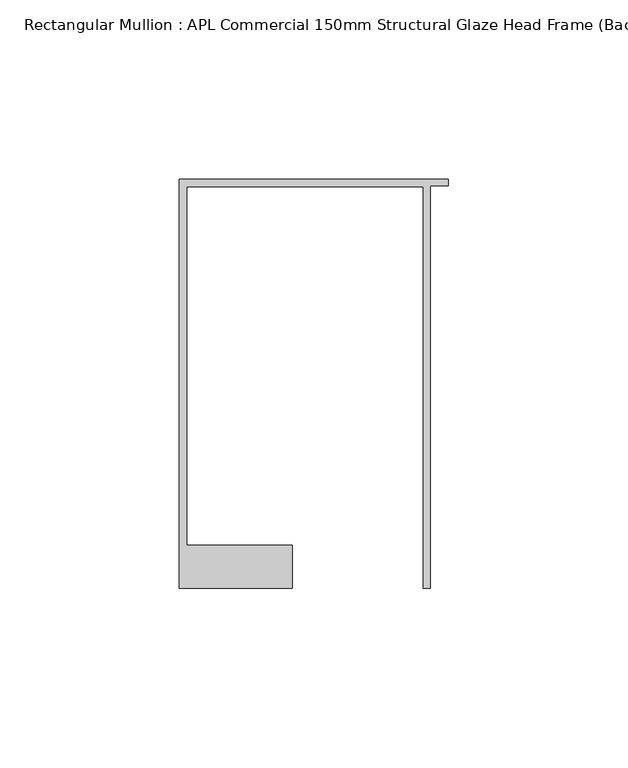
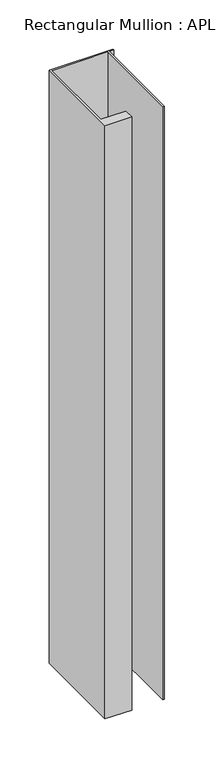
"""IFC4 building model written with IfcOpenShell, lengths in millimetres: member geometry, Rectangular Mullion : APL Commercial 150mm Structural Glaze Head Frame (Back)."""

import ifcopenshell
import ifcopenshell.guid

model = None  # the IFC model being written
_history = None  # IfcOwnerHistory: only IFC2X3 demands one
_inside = {}  # id of a spatial element -> (the spatial element, [elements in it])
_under = {}  # id of a project, library or spatial element -> (it, [spatial elements below it])
_declared = {}  # id of a project -> (the project, [libraries it declares])
_typed = {}  # id of a type object -> (the type object, [elements of that type])
_made_of = {}  # id of a material, layer set ... -> (it, [elements and type objects made of it])


def new_model(schema):
    """Start an empty IFC model of exactly this schema.

    Asked for "IFC4X3", IfcOpenShell would pick the latest addendum, in which some entities
    have other attributes; the version numbers below select the first issue.
    IFC2X3 requires an IfcOwnerHistory on every rooted entity: one is made here for all.
    """
    global model, _history
    if schema == "IFC4X3":
        model = ifcopenshell.file(schema_version=(4, 3, 0, 0))
    else:
        model = ifcopenshell.file(schema=schema)
    _inside.clear()
    _under.clear()
    _declared.clear()
    _typed.clear()
    _made_of.clear()
    _history = None
    if model.schema == "IFC2X3":
        org = make("IfcOrganization", Name="unknown")
        user = make(
            "IfcPersonAndOrganization",
            ThePerson=make("IfcPerson", FamilyName="unknown"),
            TheOrganization=org,
        )
        app = make(
            "IfcApplication",
            ApplicationDeveloper=org,
            Version="unknown",
            ApplicationFullName="unknown",
            ApplicationIdentifier="unknown",
        )
        _history = make(
            "IfcOwnerHistory",
            OwningUser=user,
            OwningApplication=app,
            ChangeAction="ADDED",
            CreationDate=0,
        )
    return model


def make(cls, **values):
    """One entity of the class cls with the attributes given. An attribute that is None is left unset."""
    return model.create_entity(
        cls, **{name: value for name, value in values.items() if value is not None}
    )


def rooted(cls, **values):
    """An entity with a GlobalId (a new one), such as an element, a storey or a relation."""
    return make(cls, GlobalId=ifcopenshell.guid.new(), OwnerHistory=_history, **values)


def si_unit(unit_type, name, prefix=None):
    """IfcSIUnit, for example si_unit("LENGTHUNIT", "METRE", prefix="MILLI")."""
    return make("IfcSIUnit", UnitType=unit_type, Prefix=prefix, Name=name)


def assignment(units):
    """IfcUnitAssignment: the units of a project."""
    return None if units is None else make("IfcUnitAssignment", Units=units)


def point(xyz):
    """IfcCartesianPoint."""
    return None if xyz is None else make("IfcCartesianPoint", Coordinates=xyz)


def direction(xyz):
    """IfcDirection."""
    return None if xyz is None else make("IfcDirection", DirectionRatios=xyz)


def frame(location, z_axis=None, x_axis=None):
    """IfcAxis2Placement3D, a coordinate frame: its origin and axes. An axis left out is left unset."""
    return make(
        "IfcAxis2Placement3D",
        Location=point(location),
        Axis=direction(z_axis),
        RefDirection=direction(x_axis),
    )


def origin():
    """The frame at (0, 0, 0) with its axes left unset."""
    return frame((0.0, 0.0, 0.0))


def place(relative_to, where):
    """IfcLocalPlacement: puts the frame where relative to a parent placement (None: the world)."""
    return make(
        "IfcLocalPlacement", PlacementRelTo=relative_to, RelativePlacement=where
    )


def context(
    kind, dimensions, precision=None, world=None, true_north=None, identifier=None
):
    """IfcGeometricRepresentationContext, for example the 3D "Model" context."""
    return make(
        "IfcGeometricRepresentationContext",
        ContextIdentifier=identifier,
        ContextType=kind,
        CoordinateSpaceDimension=dimensions,
        Precision=precision,
        WorldCoordinateSystem=world,
        TrueNorth=true_north,
    )


def project(units=None, contexts=None):
    """IfcProject with its units and contexts."""
    return rooted(
        "IfcProject",
        Name="project",
        RepresentationContexts=contexts,
        UnitsInContext=assignment(units),
    )


def spatial(cls, under=None, at=None, **own):
    """A site, building, storey or space (cls), placed at a placement, below another one or the project."""
    s = rooted(cls, ObjectPlacement=at, **own)
    if under is not None:
        _under.setdefault(under.id(), (under, []))[1].append(s)
    return s


def polyline(points):
    """IfcPolyline through the points."""
    return make("IfcPolyline", Points=[point(p) for p in points])


def outline(outer, holes=None, kind="AREA"):
    """IfcArbitraryClosedProfileDef: a profile drawn as a closed curve; with holes, ...WithVoids."""
    if holes is None:
        return make("IfcArbitraryClosedProfileDef", ProfileType=kind, OuterCurve=outer)
    return make(
        "IfcArbitraryProfileDefWithVoids",
        ProfileType=kind,
        OuterCurve=outer,
        InnerCurves=holes,
    )


def extrude(swept, where, along, depth):
    """IfcExtrudedAreaSolid: the profile swept, set in the frame where, extruded along a direction by depth."""
    return make(
        "IfcExtrudedAreaSolid",
        SweptArea=swept,
        Position=where,
        ExtrudedDirection=direction(along),
        Depth=depth,
    )


def shape(context_of_items, identifier, shape_type, items):
    """IfcShapeRepresentation: the items that make up one representation, for example the "Body"."""
    return make(
        "IfcShapeRepresentation",
        ContextOfItems=context_of_items,
        RepresentationIdentifier=identifier,
        RepresentationType=shape_type,
        Items=items,
    )


def source(mapping_origin, context_of_items, identifier, shape_type, items):
    """IfcRepresentationMap: a shape defined once, which mapped items show again and again."""
    return make(
        "IfcRepresentationMap",
        MappingOrigin=mapping_origin,
        MappedRepresentation=shape(context_of_items, identifier, shape_type, items),
    )


def transform(
    local_origin,
    x_axis=None,
    y_axis=None,
    z_axis=None,
    scale=None,
    scale2=None,
    scale3=None,
    uniform=True,
):
    """IfcCartesianTransformationOperator3D, or its non-uniform kind. x_axis, y_axis, z_axis: its Axis1, 2, 3."""
    if uniform:
        return make(
            "IfcCartesianTransformationOperator3D",
            Axis1=direction(x_axis),
            Axis2=direction(y_axis),
            LocalOrigin=point(local_origin),
            Scale=scale,
            Axis3=direction(z_axis),
        )
    return make(
        "IfcCartesianTransformationOperator3DnonUniform",
        Axis1=direction(x_axis),
        Axis2=direction(y_axis),
        LocalOrigin=point(local_origin),
        Scale=scale,
        Axis3=direction(z_axis),
        Scale2=scale2,
        Scale3=scale3,
    )


def mapped(mapping_source, mapping_target):
    """IfcMappedItem: shows the shape of a source again, moved by a transform."""
    return make(
        "IfcMappedItem", MappingSource=mapping_source, MappingTarget=mapping_target
    )


def made_of(thing, what):
    """Note that an element or type object is made of a material, layer set ...; save() writes the relation."""
    if what is not None:
        _made_of.setdefault(what.id(), (what, []))[1].append(thing)
    return thing


def element(
    cls,
    number,
    at=None,
    inside=None,
    cuts=None,
    type_object=None,
    material=None,
    context=None,
    identifier="Body",
    shape_type=None,
    held_by="IfcProductDefinitionShape",
    body=None,
    shapes=None,
    **own,
):
    """One element of the class cls, such as IfcWall. Its Tag is "e" and its number.

    at: its placement. inside: the storey or other place that contains it. cuts: it is an
    opening in that element (IfcRelVoidsElement). A single representation is given by context,
    identifier, shape_type and body (its items); several are given by shapes. held_by: the class
    of the entity that holds the representations. save() writes the other relations.
    """
    e = rooted(cls, Tag="e%d" % number, ObjectPlacement=at, **own)
    if body is not None:
        shapes = [shape(context, identifier, shape_type, body)]
    if shapes is not None:
        e.Representation = make(held_by, Representations=shapes)
    if inside is not None:
        _inside.setdefault(inside.id(), (inside, []))[1].append(e)
    if cuts is not None:
        rooted(
            "IfcRelVoidsElement", RelatingBuildingElement=cuts, RelatedOpeningElement=e
        )
    if type_object is not None:
        _typed.setdefault(type_object.id(), (type_object, []))[1].append(e)
    return made_of(e, material)


def aggregate(whole, parts):
    """IfcRelAggregates: a whole, such as a stair, and the parts it consists of."""
    return rooted("IfcRelAggregates", RelatingObject=whole, RelatedObjects=parts)


def save(model, path):
    """Write the relations noted so far, then the file.

    IfcRelAggregates (storeys below a building ...), IfcRelContainedInSpatialStructure (elements
    in a storey), IfcRelDefinesByType, IfcRelAssociatesMaterial and IfcRelDeclares: one each for
    every whole, place, type object, material and project.
    """
    for whole, parts in _under.values():
        aggregate(whole, parts)
    for where, things in _inside.values():
        rooted(
            "IfcRelContainedInSpatialStructure",
            RelatedElements=things,
            RelatingStructure=where,
        )
    for kind, things in _typed.values():
        rooted("IfcRelDefinesByType", RelatedObjects=things, RelatingType=kind)
    for what, things in _made_of.values():
        rooted("IfcRelAssociatesMaterial", RelatedObjects=things, RelatingMaterial=what)
    for by, libraries in _declared.values():
        rooted("IfcRelDeclares", RelatingContext=by, RelatedDefinitions=libraries)
    model.write(path)


def rectangular_mullion_apl_commercial_150mm_structural_glaze_2287baaa(model_context):
    return source(origin(), model_context, "Body", "SweptSolid", [
        extrude(outline(polyline([(-75.0, 128.9993063), (0.0, 128.9993063), (0.0, 127.1993063), (-5.0, 127.1993063), (-5.0, 14.9998342), (-7.0, 14.9998342), (-7.0, 126.9993063), (-73.0, 126.9993063), (-73.0, 26.9997514), (-43.5000151, 26.9997514), (-43.5000151, 14.9998342), (-75.0, 14.9998342), (-75.0, 128.9993063)])), frame((0.0, 0.0, -738.1421998), z_axis=(0.0, 0.0, 1.0), x_axis=(1.0, 0.0, 0.0)), (0.0, 0.0, 1.0), 738.1421998),
    ])


if __name__ == "__main__":
    model = new_model("IFC4")
    model_context = context("Model", 3, world=origin())
    ifc_project = project(units=[si_unit("LENGTHUNIT", "METRE", prefix="MILLI")], contexts=[model_context])
    site = spatial("IfcSite", under=ifc_project)
    building = spatial("IfcBuilding", under=site)
    placement = place(None, origin())
    rectangular_mullion_apl_commercial_150mm_structural_glaze_shape = rectangular_mullion_apl_commercial_150mm_structural_glaze_2287baaa(model_context)
    element("IfcMember", 1, ObjectType="Rectangular Mullion : APL Commercial 150mm Structural Glaze Head Frame (Back)", at=placement, inside=building, context=model_context, shape_type="MappedRepresentation", body=[
        mapped(rectangular_mullion_apl_commercial_150mm_structural_glaze_shape, transform((0.0, 0.0, 0.0), x_axis=(1.0, 0.0, 0.0), y_axis=(0.0, 1.0, 0.0), z_axis=(0.0, 0.0, 1.0))),
    ])
    save(model, "model.ifc")
